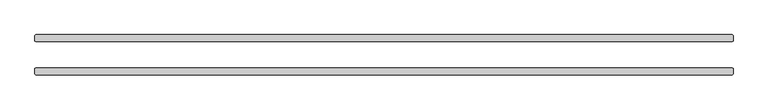
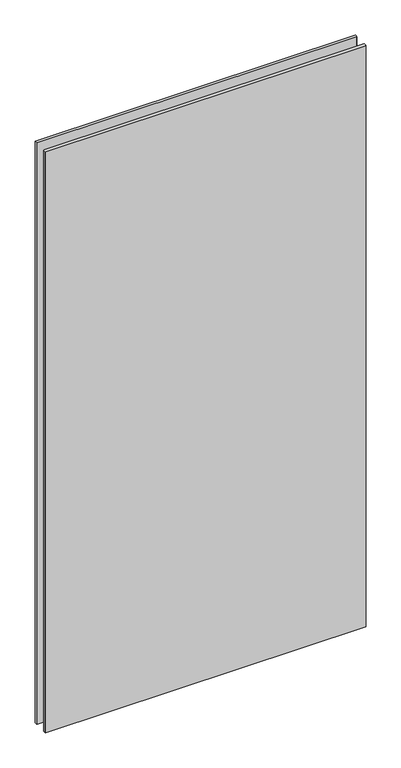
"""IFC4 building model written with IfcOpenShell, lengths in millimetres: plate geometry."""

from ifc_helpers import new_model, si_unit, origin, origin_with_axes, place, context, project, spatial, polyline, outline, extrude, source, transform, mapped, element, save


def plate_ad621807(model_context):
    return source(origin(), model_context, "Body", "SweptSolid", [
        extrude(outline(polyline([(632.61875, 23.8125), (-632.61875, 23.8125), (-634.20625, 25.4), (-634.20625, 34.925), (-632.61875, 36.5125), (632.61875, 36.5125), (634.20625, 34.925), (634.20625, 25.4), (632.61875, 23.8125)])), origin_with_axes(), (0.0, 0.0, 1.0), 2428.7789267),
        extrude(outline(polyline([(632.61875, -36.5125), (-632.61875, -36.5125), (-634.20625, -34.925), (-634.20625, -25.4), (-632.61875, -23.8125), (632.61875, -23.8125), (634.20625, -25.4), (634.20625, -34.925), (632.61875, -36.5125)])), origin_with_axes(), (0.0, 0.0, 1.0), 2428.7789267),
    ])


if __name__ == "__main__":
    model = new_model("IFC4")
    model_context = context("Model", 3, world=origin())
    ifc_project = project(units=[si_unit("LENGTHUNIT", "METRE", prefix="MILLI")], contexts=[model_context])
    site = spatial("IfcSite", under=ifc_project)
    building = spatial("IfcBuilding", under=site)
    placement = place(None, origin())
    plate_shape = plate_ad621807(model_context)
    element("IfcPlate", 1, at=placement, inside=building, context=model_context, shape_type="MappedRepresentation", body=[
        mapped(plate_shape, transform((0.0, 0.0, 0.0), x_axis=(1.0, 0.0, 0.0), y_axis=(0.0, 1.0, 0.0), z_axis=(0.0, 0.0, 1.0))),
    ])
    save(model, "model.ifc")
